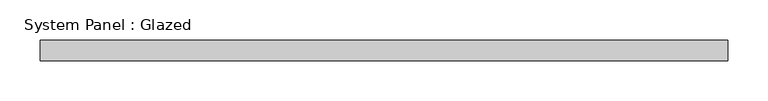
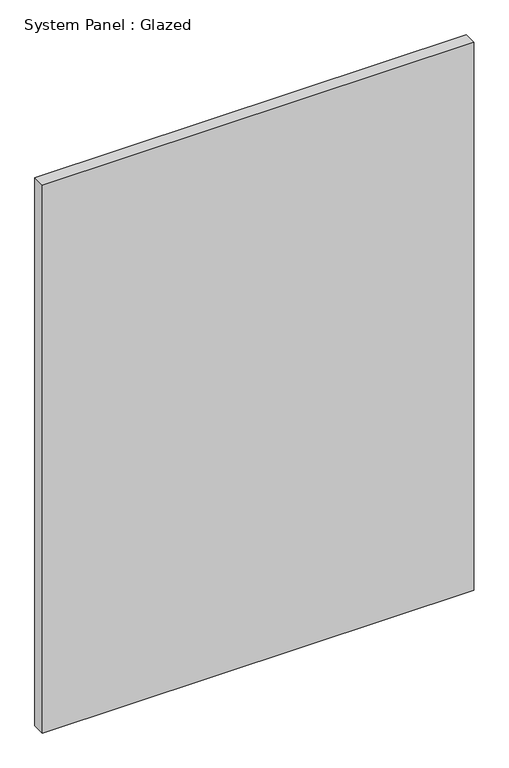
"""IFC4 building model written with IfcOpenShell, lengths in millimetres: plate geometry, System Panel : Glazed."""

from ifc_helpers import new_model, si_unit, origin, origin_with_axes, place, context, project, spatial, polyline, outline, extrude, source, transform, mapped, element, save


def system_panel_glazed_6c0938eb(model_context):
    return source(origin(), model_context, "Body", "SweptSolid", [
        extrude(outline(polyline([(427.8317066, -12.7), (-427.8317066, -12.7), (-427.8317066, 12.7), (427.8317066, 12.7), (427.8317066, -12.7)])), origin_with_axes(), (0.0, 0.0, 1.0), 1148.5626254),
    ])


if __name__ == "__main__":
    model = new_model("IFC4")
    model_context = context("Model", 3, world=origin())
    ifc_project = project(units=[si_unit("LENGTHUNIT", "METRE", prefix="MILLI")], contexts=[model_context])
    site = spatial("IfcSite", under=ifc_project)
    building = spatial("IfcBuilding", under=site)
    placement = place(None, origin())
    system_panel_glazed_shape = system_panel_glazed_6c0938eb(model_context)
    element("IfcPlate", 1, ObjectType="System Panel : Glazed", at=placement, inside=building, context=model_context, shape_type="MappedRepresentation", body=[
        mapped(system_panel_glazed_shape, transform((0.0, 0.0, 0.0), x_axis=(1.0, 0.0, 0.0), y_axis=(0.0, 1.0, 0.0), z_axis=(0.0, 0.0, 1.0))),
    ])
    save(model, "model.ifc")
